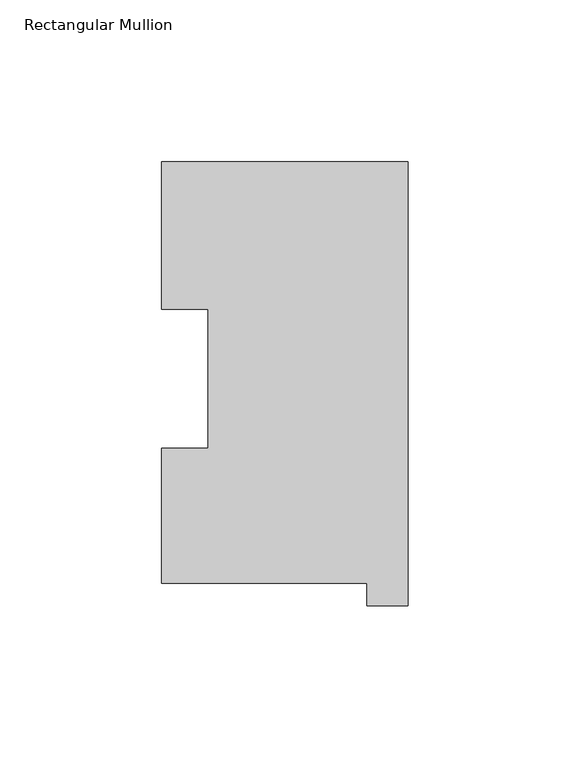
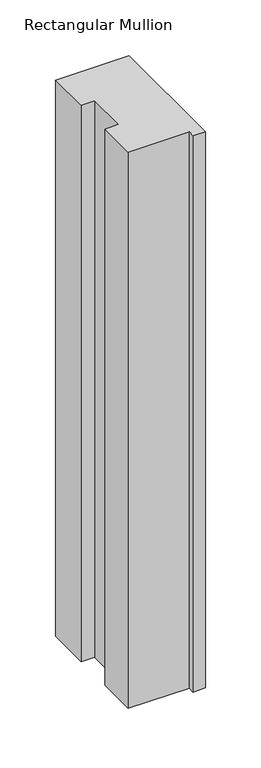
"""IFC4 building model written with IfcOpenShell, lengths in millimetres: member geometry, Rectangular Mullion."""

from ifc_helpers import new_model, si_unit, frame, origin, place, context, project, spatial, polyline, outline, extrude, source, transform, mapped, element, save


def rectangular_mullion_33b25766(model_context):
    return source(origin(), model_context, "Body", "SweptSolid", [
        extrude(outline(polyline([(-76.2, 130.2646937), (0.0, 130.2646937), (0.0, -6.9461063), (-12.7, -6.9461063), (-12.7, -0.0373063), (-76.2, -0.0373063), (-76.2, 41.7508474), (-61.9101579, 41.7508474), (-61.9101579, 84.6335937), (-76.2, 84.6335937), (-76.2, 130.2646937)])), frame((0.0, 0.0, -609.6), z_axis=(0.0, 0.0, 1.0), x_axis=(1.0, 0.0, 0.0)), (0.0, 0.0, 1.0), 609.6),
    ])


if __name__ == "__main__":
    model = new_model("IFC4")
    model_context = context("Model", 3, world=origin())
    ifc_project = project(units=[si_unit("LENGTHUNIT", "METRE", prefix="MILLI")], contexts=[model_context])
    site = spatial("IfcSite", under=ifc_project)
    building = spatial("IfcBuilding", under=site)
    placement = place(None, origin())
    rectangular_mullion_shape = rectangular_mullion_33b25766(model_context)
    element("IfcMember", 1, ObjectType="Rectangular Mullion", at=placement, inside=building, context=model_context, shape_type="MappedRepresentation", body=[
        mapped(rectangular_mullion_shape, transform((0.0, 0.0, 0.0), x_axis=(1.0, 0.0, 0.0), y_axis=(0.0, 1.0, 0.0), z_axis=(0.0, 0.0, 1.0))),
    ])
    save(model, "model.ifc")
